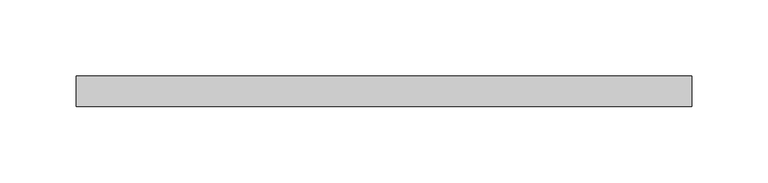
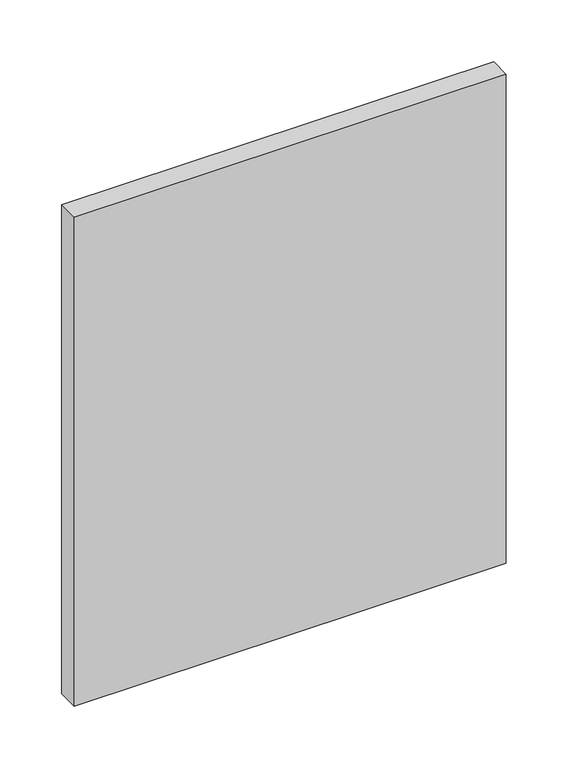
"""IFC4 building model written with IfcOpenShell, lengths in millimetres: plate geometry."""

from ifc_helpers import new_model, si_unit, frame, origin, place, context, project, spatial, polyline, outline, extrude, source, transform, mapped, element, save


def plate_80566a5e(model_context):
    return source(origin(), model_context, "Body", "SweptSolid", [
        extrude(outline(polyline([(0.0, -201.8421053), (0.0, 201.8421053), (122.25, 201.8421053), (482.7375, 201.8421053), (482.7375, -201.8421053), (0.0, -201.8421053)])), frame((0.0, -90.0, 0.0), z_axis=(0.0, 1.0, 0.0), x_axis=(0.0, 0.0, 1.0)), (0.0, 0.0, 1.0), 20.0),
    ])


if __name__ == "__main__":
    model = new_model("IFC4")
    model_context = context("Model", 3, world=origin())
    ifc_project = project(units=[si_unit("LENGTHUNIT", "METRE", prefix="MILLI")], contexts=[model_context])
    site = spatial("IfcSite", under=ifc_project)
    building = spatial("IfcBuilding", under=site)
    placement = place(None, origin())
    plate_shape = plate_80566a5e(model_context)
    element("IfcPlate", 1, at=placement, inside=building, context=model_context, shape_type="MappedRepresentation", body=[
        mapped(plate_shape, transform((0.0, 0.0, 0.0), x_axis=(1.0, 0.0, 0.0), y_axis=(0.0, 1.0, 0.0), z_axis=(0.0, 0.0, 1.0))),
    ])
    save(model, "model.ifc")
